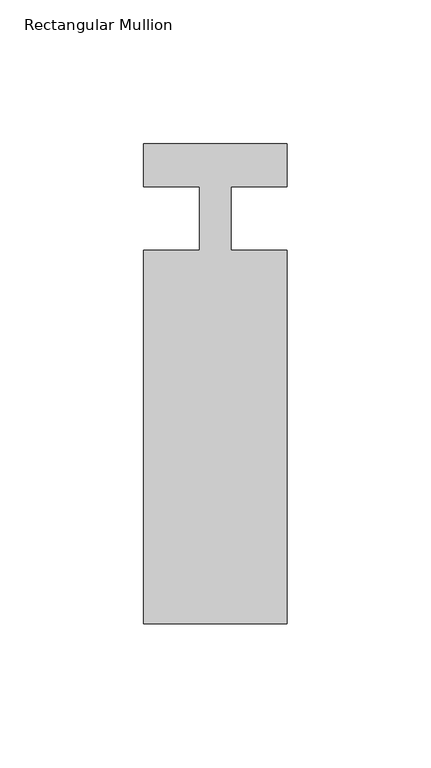
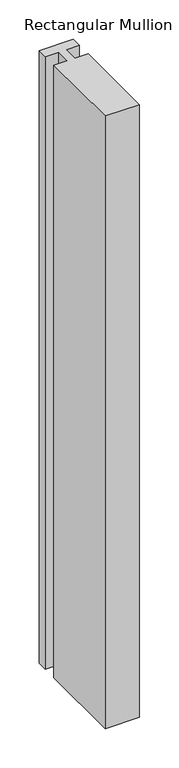
"""IFC4 building model written with IfcOpenShell, lengths in millimetres: member geometry, Rectangular Mullion."""

from ifc_helpers import new_model, si_unit, frame, origin, place, context, project, spatial, polyline, outline, extrude, source, transform, mapped, element, save


def rectangular_mullion_0041a672(model_context):
    return source(origin(), model_context, "Body", "SweptSolid", [
        extrude(outline(polyline([(-50.0, -141.0), (-50.0, -11.0), (-30.5, -11.0), (-30.5, 11.0), (-50.0, 11.0), (-50.0, 26.0), (0.0, 26.0), (0.0, 11.0), (-19.5000002, 11.0), (-19.5000002, -11.0), (0.0, -11.0), (0.0, -141.0), (-50.0, -141.0)])), frame((0.0, 0.0, -950.0), z_axis=(0.0, 0.0, 1.0), x_axis=(1.0, 0.0, 0.0)), (0.0, 0.0, 1.0), 950.0),
    ])


if __name__ == "__main__":
    model = new_model("IFC4")
    model_context = context("Model", 3, world=origin())
    ifc_project = project(units=[si_unit("LENGTHUNIT", "METRE", prefix="MILLI")], contexts=[model_context])
    site = spatial("IfcSite", under=ifc_project)
    building = spatial("IfcBuilding", under=site)
    placement = place(None, origin())
    rectangular_mullion_shape = rectangular_mullion_0041a672(model_context)
    element("IfcMember", 1, ObjectType="Rectangular Mullion", at=placement, inside=building, context=model_context, shape_type="MappedRepresentation", body=[
        mapped(rectangular_mullion_shape, transform((0.0, 0.0, 0.0), x_axis=(1.0, 0.0, 0.0), y_axis=(0.0, 1.0, 0.0), z_axis=(0.0, 0.0, 1.0))),
    ])
    save(model, "model.ifc")
